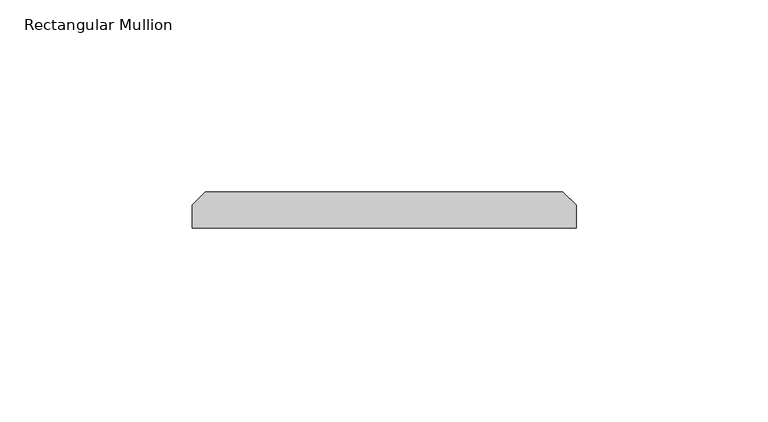
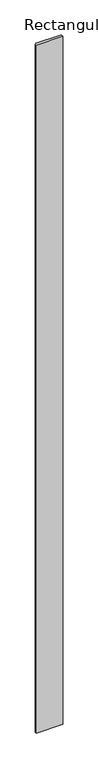
"""IFC4 building model written with IfcOpenShell, lengths in millimetres: member geometry, Rectangular Mullion."""

from ifc_helpers import new_model, si_unit, frame, origin, place, context, project, spatial, polyline, outline, extrude, source, transform, mapped, element, save


def rectangular_mullion_e3c573c4(model_context):
    return source(origin(), model_context, "Body", "SweptSolid", [
        extrude(outline(polyline([(50.0, 0.0), (-50.0, 0.0), (-50.0, 6.0), (-46.5, 9.5), (46.5, 9.5), (50.0, 6.0), (50.0, 0.0)])), frame((0.0, 0.0, -2745.0), z_axis=(0.0, 0.0, 1.0), x_axis=(1.0, 0.0, 0.0)), (0.0, 0.0, 1.0), 2745.0),
    ])


if __name__ == "__main__":
    model = new_model("IFC4")
    model_context = context("Model", 3, world=origin())
    ifc_project = project(units=[si_unit("LENGTHUNIT", "METRE", prefix="MILLI")], contexts=[model_context])
    site = spatial("IfcSite", under=ifc_project)
    building = spatial("IfcBuilding", under=site)
    placement = place(None, origin())
    rectangular_mullion_shape = rectangular_mullion_e3c573c4(model_context)
    element("IfcMember", 1, ObjectType="Rectangular Mullion", at=placement, inside=building, context=model_context, shape_type="MappedRepresentation", body=[
        mapped(rectangular_mullion_shape, transform((0.0, 0.0, 0.0), x_axis=(1.0, 0.0, 0.0), y_axis=(0.0, 1.0, 0.0), z_axis=(0.0, 0.0, 1.0))),
    ])
    save(model, "model.ifc")
